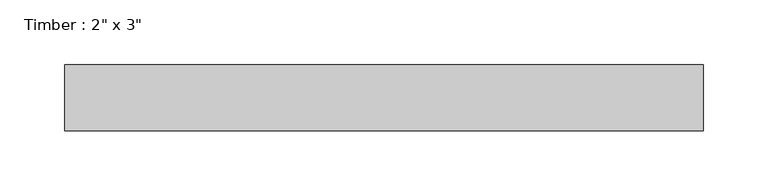
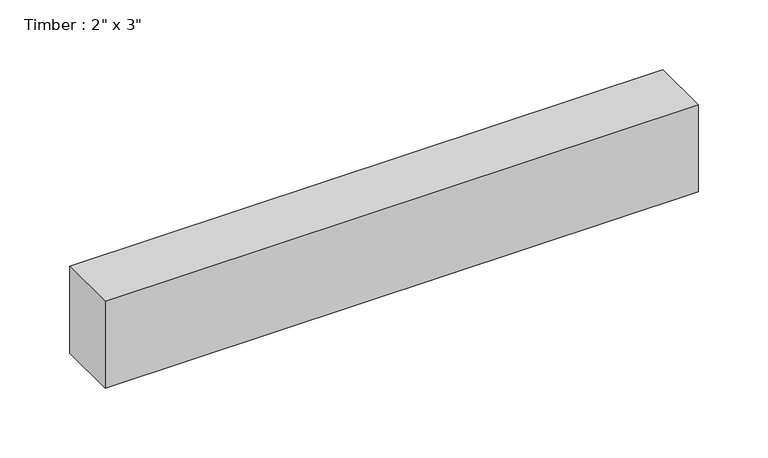
"""IFC4 building model written with IfcOpenShell, lengths in millimetres: beam geometry."""

from ifc_helpers import new_model, si_unit, frame, origin, place, context, project, spatial, polyline, outline, extrude, source, transform, mapped, element, save


def beam_45cf87ff(model_context):
    return source(origin(), model_context, "Body", "SweptSolid", [
        extrude(outline(polyline([(245.7473228, 25.4), (245.7473228, -25.4), (-245.7473228, -25.4), (-245.7473228, 25.4), (245.7473228, 25.4)])), frame((0.0, 0.0, -38.1), z_axis=(0.0, 0.0, 1.0), x_axis=(1.0, 0.0, 0.0)), (0.0, 0.0, 1.0), 76.2),
    ])


if __name__ == "__main__":
    model = new_model("IFC4")
    model_context = context("Model", 3, world=origin())
    ifc_project = project(units=[si_unit("LENGTHUNIT", "METRE", prefix="MILLI")], contexts=[model_context])
    site = spatial("IfcSite", under=ifc_project)
    building = spatial("IfcBuilding", under=site)
    placement = place(None, origin())
    beam_shape = beam_45cf87ff(model_context)
    element("IfcBeam", 1, ObjectType="Timber : 2\" x 3\"", at=placement, inside=building, context=model_context, shape_type="MappedRepresentation", body=[
        mapped(beam_shape, transform((0.0, 0.0, 0.0), x_axis=(1.0, 0.0, 0.0), y_axis=(0.0, 1.0, 0.0), z_axis=(0.0, 0.0, 1.0))),
    ])
    save(model, "model.ifc")
